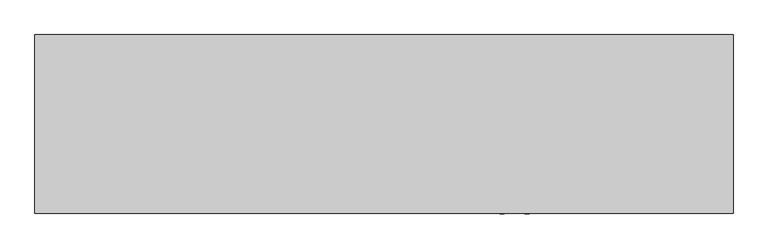
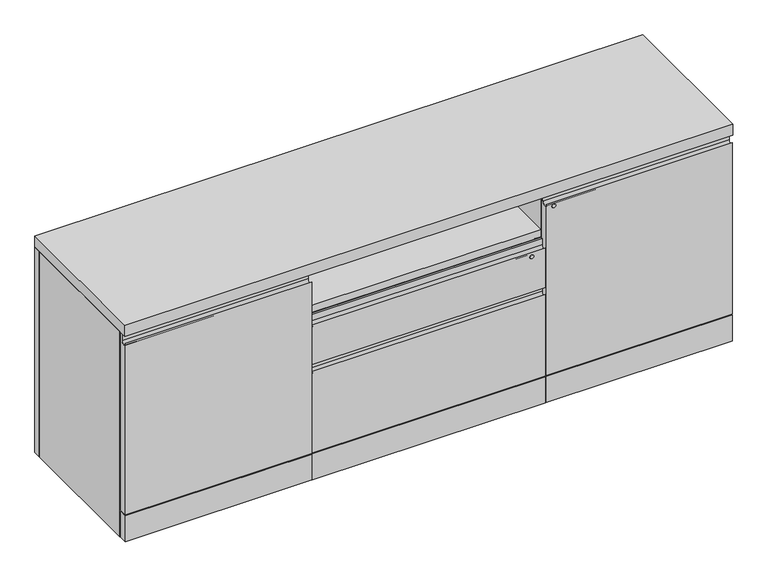
"""IFC4 building model written with IfcOpenShell, lengths in millimetres: furniture geometry."""

from ifc_helpers import new_model, si_unit, point, frame, frame_2d, origin, origin_with_axes, place, context, project, spatial, polyline, circle_curve, trimmed, segment, composite_curve, outline, extrude, source, transform, mapped, element, save


def furniture_6dcc5554(model_context):
    return source(origin(), model_context, "Body", "SweptSolid", [
        extrude(outline(polyline([(-25.4000008, 566.7362646), (-25.4000008, 12.7000004), (-479.425, 12.7000004), (-479.425, 31.7500004), (-44.4500008, 31.7500004), (-44.4500008, 566.7362646), (-25.4000008, 566.7362646)])), frame((628.65, 0.0, 0.0), z_axis=(1.0, 0.0, 0.0), x_axis=(0.0, 1.0, 0.0)), (0.0, 0.0, 1.0), 723.9),
        extrude(outline(composite_curve([segment(trimmed(circle_curve(frame_2d((682.6250484, 1397.0000484)), 6.3499758), [point((682.6250484, 1403.3500242))], [point((682.6250484, 1390.6500727))], False, "CARTESIAN"), True, "CONTINUOUS"), segment(trimmed(circle_curve(frame_2d((682.6250484, 1397.0000484)), 6.3499758), [point((682.6250484, 1390.6500727))], [point((682.6250484, 1403.3500242))], False, "CARTESIAN"), True, "CONTINUOUS")], self_intersect=False)), frame((0.0, -508.7937742, 0.0), z_axis=(0.0, 1.0, 0.0), x_axis=(0.0, 0.0, 1.0)), (0.0, 0.0, 1.0), 0.7937742),
        extrude(outline(polyline([(152.4, 0.0), (152.4, -25.4000008), (0.0, -25.4000008), (0.0, 0.0), (152.4, 0.0)])), frame((0.0, 0.0, 12.7000004), z_axis=(0.0, 0.0, 1.0), x_axis=(1.0, 0.0, 0.0)), (0.0, 0.0, 1.0), 708.0249754),
        extrude(outline(polyline([(1981.2, 0.0), (1981.2, -25.4000008), (1828.8, -25.4000008), (1828.8, 0.0), (1981.2, 0.0)])), frame((0.0, 0.0, 12.7000004), z_axis=(0.0, 0.0, 1.0), x_axis=(1.0, 0.0, 0.0)), (0.0, 0.0, 1.0), 708.0249754),
        extrude(outline(polyline([(609.6, -25.4000008), (628.65, -25.4000008), (628.65, -479.425), (609.6, -479.425), (609.6, -25.4000008)])), frame((0.0, 0.0, 12.7000004), z_axis=(0.0, 0.0, 1.0), x_axis=(1.0, 0.0, 0.0)), (0.0, 0.0, 1.0), 554.0362642),
        extrude(outline(polyline([(1352.55, -25.4000008), (1371.6, -25.4000008), (1371.6, -479.425), (1352.55, -479.425), (1352.55, -25.4000008)])), frame((0.0, 0.0, 12.7000004), z_axis=(0.0, 0.0, 1.0), x_axis=(1.0, 0.0, 0.0)), (0.0, 0.0, 1.0), 554.0362642),
        extrude(outline(polyline([(609.6, -25.4000008), (1371.6, -25.4000008), (1371.6, -479.425), (609.6, -479.425), (609.6, -25.4000008)])), frame((0.0, 0.0, 566.7362646), z_axis=(0.0, 0.0, 1.0), x_axis=(1.0, 0.0, 0.0)), (0.0, 0.0, 1.0), 25.3999758),
        extrude(outline(polyline([(609.6, -25.4000008), (609.6, -479.425), (0.0, -479.425), (0.0, -25.4000008), (609.6, -25.4000008)])), frame((0.0, 0.0, 12.7000004), z_axis=(0.0, 0.0, 1.0), x_axis=(1.0, 0.0, 0.0)), (0.0, 0.0, 1.0), 708.0249754),
        extrude(outline(polyline([(1371.6, -25.4000008), (1981.2, -25.4000008), (1981.2, -479.425), (1371.6, -479.425), (1371.6, -25.4000008)])), frame((0.0, 0.0, 12.7000004), z_axis=(0.0, 0.0, 1.0), x_axis=(1.0, 0.0, 0.0)), (0.0, 0.0, 1.0), 708.0249754),
        extrude(outline(composite_curve([segment(trimmed(circle_curve(frame_2d((531.7496647, 1325.5624758)), 6.3499758), [point((531.7496647, 1331.9124516))], [point((531.7496647, 1319.2125))], False, "CARTESIAN"), True, "CONTINUOUS"), segment(trimmed(circle_curve(frame_2d((531.7496647, 1325.5624758)), 6.3499758), [point((531.7496647, 1319.2125))], [point((531.7496647, 1331.9124516))], False, "CARTESIAN"), True, "CONTINUOUS")], self_intersect=False)), frame((0.0, -508.7937742, 0.0), z_axis=(0.0, 1.0, 0.0), x_axis=(0.0, 0.0, 1.0)), (0.0, 0.0, 1.0), 0.7937742),
        extrude(outline(polyline([(1979.6124516, -482.6000242), (1979.6124516, -508.0), (1373.1875484, -508.0), (1373.1875484, -482.6000242), (1979.6124516, -482.6000242)])), frame((0.0, 0.0, 12.7000004), z_axis=(0.0, 0.0, 1.0), x_axis=(1.0, 0.0, 0.0)), (0.0, 0.0, 1.0), 88.9000026),
        extrude(outline(polyline([(1.5875, -508.0), (1.5875, -482.6000242), (608.0124879, -482.6000242), (608.0124879, -508.0), (1.5875, -508.0)])), frame((0.0, 0.0, 12.7000004), z_axis=(0.0, 0.0, 1.0), x_axis=(1.0, 0.0, 0.0)), (0.0, 0.0, 1.0), 88.9000026),
        extrude(outline(polyline([(1370.0124516, -508.0), (611.1874758, -508.0), (611.1874758, -482.6000242), (1370.0124516, -482.6000242), (1370.0124516, -508.0)])), frame((0.0, 0.0, 12.7000004), z_axis=(0.0, 0.0, 1.0), x_axis=(1.0, 0.0, 0.0)), (0.0, 0.0, 1.0), 88.9000026),
        extrude(outline(composite_curve([segment(polyline([(-488.95, 720.7249758), (-482.6000242, 720.7249758), (-482.6000242, 104.775), (-508.0, 104.775), (-508.0, 695.325)]), True, "CONTINUOUS"), segment(trimmed(circle_curve(frame_2d((-498.475, 695.325)), 9.525), [point((-508.0, 695.325))], [point((-488.95, 695.325))], True, "CARTESIAN"), True, "CONTINUOUS"), segment(polyline([(-488.95, 695.325), (-488.95, 720.7249758)]), True, "CONTINUOUS")], self_intersect=False)), frame((1373.1875484, 0.0, 0.0), z_axis=(1.0, 0.0, 0.0), x_axis=(0.0, 1.0, 0.0)), (0.0, 0.0, 1.0), 606.4249031),
        extrude(outline(composite_curve([segment(polyline([(-488.95, 546.0999879), (-488.95, 566.7375), (-482.6000242, 566.7375), (-482.6000242, 409.5743823), (-508.0, 409.5743823), (-508.0, 546.0999879)]), True, "CONTINUOUS"), segment(trimmed(circle_curve(frame_2d((-498.475, 546.0999879)), 9.525), [point((-508.0, 546.0999879))], [point((-488.95, 546.0999879))], True, "CARTESIAN"), True, "CONTINUOUS")], self_intersect=False)), frame((611.1874758, 0.0, 0.0), z_axis=(1.0, 0.0, 0.0), x_axis=(0.0, 1.0, 0.0)), (0.0, 0.0, 1.0), 758.8249758),
        extrude(outline(composite_curve([segment(polyline([(-488.95, 385.761846), (-488.95, 406.3993581), (-482.6000242, 406.3993581), (-482.6000242, 104.775), (-508.0, 104.775), (-508.0, 385.761846)]), True, "CONTINUOUS"), segment(trimmed(circle_curve(frame_2d((-498.475, 385.761846)), 9.525), [point((-508.0, 385.761846))], [point((-488.95, 385.761846))], True, "CARTESIAN"), True, "CONTINUOUS")], self_intersect=False)), frame((611.1874758, 0.0, 0.0), z_axis=(1.0, 0.0, 0.0), x_axis=(0.0, 1.0, 0.0)), (0.0, 0.0, 1.0), 758.8249758),
        extrude(outline(composite_curve([segment(polyline([(-482.6000242, 720.7249758), (-482.6000242, 104.775), (-508.0, 104.775), (-508.0, 695.325)]), True, "CONTINUOUS"), segment(trimmed(circle_curve(frame_2d((-498.475, 695.325)), 9.525), [point((-508.0, 695.325))], [point((-488.95, 695.325))], True, "CARTESIAN"), True, "CONTINUOUS"), segment(polyline([(-488.95, 695.325), (-488.95, 720.7249758), (-482.6000242, 720.7249758)]), True, "CONTINUOUS")], self_intersect=False)), frame((1.5875, 0.0, 0.0), z_axis=(1.0, 0.0, 0.0), x_axis=(0.0, 1.0, 0.0)), (0.0, 0.0, 1.0), 606.4249878),
        extrude(outline(polyline([(1981.2, 0.0), (1981.2, -508.0), (0.0, -508.0), (0.0, 0.0), (1981.2, 0.0)])), frame((0.0, 0.0, 720.7249758), z_axis=(0.0, 0.0, 1.0), x_axis=(1.0, 0.0, 0.0)), (0.0, 0.0, 1.0), 38.1),
        extrude(outline(composite_curve([segment(trimmed(circle_curve(frame_2d((50.8000015, -76.2)), 19.05), [point((69.8500015, -76.2))], [point((31.7500015, -76.2))], False, "CARTESIAN"), True, "CONTINUOUS"), segment(trimmed(circle_curve(frame_2d((50.8000015, -76.2)), 19.05), [point((31.7500015, -76.2))], [point((69.8500015, -76.2))], False, "CARTESIAN"), True, "CONTINUOUS")], self_intersect=False)), origin_with_axes(), (0.0, 0.0, 1.0), 12.7000004),
        extrude(outline(composite_curve([segment(trimmed(circle_curve(frame_2d((50.8000015, -431.8)), 19.05), [point((69.8500015, -431.8))], [point((31.7500015, -431.8))], False, "CARTESIAN"), True, "CONTINUOUS"), segment(trimmed(circle_curve(frame_2d((50.8000015, -431.8)), 19.05), [point((31.7500015, -431.8))], [point((69.8500015, -431.8))], False, "CARTESIAN"), True, "CONTINUOUS")], self_intersect=False)), origin_with_axes(), (0.0, 0.0, 1.0), 12.7000004),
        extrude(outline(composite_curve([segment(trimmed(circle_curve(frame_2d((558.8000121, -76.2)), 19.05), [point((577.8500121, -76.2))], [point((539.7500121, -76.2))], False, "CARTESIAN"), True, "CONTINUOUS"), segment(trimmed(circle_curve(frame_2d((558.8000121, -76.2)), 19.05), [point((539.7500121, -76.2))], [point((577.8500121, -76.2))], False, "CARTESIAN"), True, "CONTINUOUS")], self_intersect=False)), origin_with_axes(), (0.0, 0.0, 1.0), 12.7000004),
        extrude(outline(composite_curve([segment(trimmed(circle_curve(frame_2d((558.8000121, -431.8)), 19.05), [point((577.8500121, -431.8))], [point((539.7500121, -431.8))], False, "CARTESIAN"), True, "CONTINUOUS"), segment(trimmed(circle_curve(frame_2d((558.8000121, -431.8)), 19.05), [point((539.7500121, -431.8))], [point((577.8500121, -431.8))], False, "CARTESIAN"), True, "CONTINUOUS")], self_intersect=False)), origin_with_axes(), (0.0, 0.0, 1.0), 12.7000004),
        extrude(outline(composite_curve([segment(trimmed(circle_curve(frame_2d((660.4000242, -76.2)), 19.05), [point((679.4500242, -76.2))], [point((641.3500242, -76.2))], False, "CARTESIAN"), True, "CONTINUOUS"), segment(trimmed(circle_curve(frame_2d((660.4000242, -76.2)), 19.05), [point((641.3500242, -76.2))], [point((679.4500242, -76.2))], False, "CARTESIAN"), True, "CONTINUOUS")], self_intersect=False)), origin_with_axes(), (0.0, 0.0, 1.0), 12.7000004),
        extrude(outline(composite_curve([segment(trimmed(circle_curve(frame_2d((660.4000242, -431.8)), 19.05), [point((679.4500242, -431.8))], [point((641.3500242, -431.8))], False, "CARTESIAN"), True, "CONTINUOUS"), segment(trimmed(circle_curve(frame_2d((660.4000242, -431.8)), 19.05), [point((641.3500242, -431.8))], [point((679.4500242, -431.8))], False, "CARTESIAN"), True, "CONTINUOUS")], self_intersect=False)), origin_with_axes(), (0.0, 0.0, 1.0), 12.7000004),
        extrude(outline(composite_curve([segment(trimmed(circle_curve(frame_2d((1930.3999985, -76.2)), 19.05), [point((1949.4499985, -76.2))], [point((1911.3499985, -76.2))], False, "CARTESIAN"), True, "CONTINUOUS"), segment(trimmed(circle_curve(frame_2d((1930.3999985, -76.2)), 19.05), [point((1911.3499985, -76.2))], [point((1949.4499985, -76.2))], False, "CARTESIAN"), True, "CONTINUOUS")], self_intersect=False)), origin_with_axes(), (0.0, 0.0, 1.0), 12.7000004),
        extrude(outline(composite_curve([segment(trimmed(circle_curve(frame_2d((1930.3999985, -431.8)), 19.05), [point((1949.4499985, -431.8))], [point((1911.3499985, -431.8))], False, "CARTESIAN"), True, "CONTINUOUS"), segment(trimmed(circle_curve(frame_2d((1930.3999985, -431.8)), 19.05), [point((1911.3499985, -431.8))], [point((1949.4499985, -431.8))], False, "CARTESIAN"), True, "CONTINUOUS")], self_intersect=False)), origin_with_axes(), (0.0, 0.0, 1.0), 12.7000004),
        extrude(outline(composite_curve([segment(trimmed(circle_curve(frame_2d((1422.3999879, -76.2)), 19.05), [point((1441.4499879, -76.2))], [point((1403.3499879, -76.2))], False, "CARTESIAN"), True, "CONTINUOUS"), segment(trimmed(circle_curve(frame_2d((1422.3999879, -76.2)), 19.05), [point((1403.3499879, -76.2))], [point((1441.4499879, -76.2))], False, "CARTESIAN"), True, "CONTINUOUS")], self_intersect=False)), origin_with_axes(), (0.0, 0.0, 1.0), 12.7000004),
        extrude(outline(composite_curve([segment(trimmed(circle_curve(frame_2d((1422.3999879, -431.8)), 19.05), [point((1441.4499879, -431.8))], [point((1403.3499879, -431.8))], False, "CARTESIAN"), True, "CONTINUOUS"), segment(trimmed(circle_curve(frame_2d((1422.3999879, -431.8)), 19.05), [point((1403.3499879, -431.8))], [point((1441.4499879, -431.8))], False, "CARTESIAN"), True, "CONTINUOUS")], self_intersect=False)), origin_with_axes(), (0.0, 0.0, 1.0), 12.7000004),
        extrude(outline(composite_curve([segment(trimmed(circle_curve(frame_2d((1320.7999758, -76.2)), 19.05), [point((1339.8499758, -76.2))], [point((1301.7499758, -76.2))], False, "CARTESIAN"), True, "CONTINUOUS"), segment(trimmed(circle_curve(frame_2d((1320.7999758, -76.2)), 19.05), [point((1301.7499758, -76.2))], [point((1339.8499758, -76.2))], False, "CARTESIAN"), True, "CONTINUOUS")], self_intersect=False)), origin_with_axes(), (0.0, 0.0, 1.0), 12.7000004),
        extrude(outline(composite_curve([segment(trimmed(circle_curve(frame_2d((1320.7999758, -431.8)), 19.05), [point((1339.8499758, -431.8))], [point((1301.7499758, -431.8))], False, "CARTESIAN"), True, "CONTINUOUS"), segment(trimmed(circle_curve(frame_2d((1320.7999758, -431.8)), 19.05), [point((1301.7499758, -431.8))], [point((1339.8499758, -431.8))], False, "CARTESIAN"), True, "CONTINUOUS")], self_intersect=False)), origin_with_axes(), (0.0, 0.0, 1.0), 12.7000004),
    ])


if __name__ == "__main__":
    model = new_model("IFC4")
    model_context = context("Model", 3, world=origin())
    ifc_project = project(units=[si_unit("LENGTHUNIT", "METRE", prefix="MILLI")], contexts=[model_context])
    site = spatial("IfcSite", under=ifc_project)
    building = spatial("IfcBuilding", under=site)
    placement = place(None, origin())
    furniture_shape = furniture_6dcc5554(model_context)
    element("IfcFurniture", 1, at=placement, inside=building, context=model_context, shape_type="MappedRepresentation", body=[
        mapped(furniture_shape, transform((0.0, 0.0, 0.0), x_axis=(1.0, 0.0, 0.0), y_axis=(0.0, 1.0, 0.0), z_axis=(0.0, 0.0, 1.0))),
    ])
    save(model, "model.ifc")
